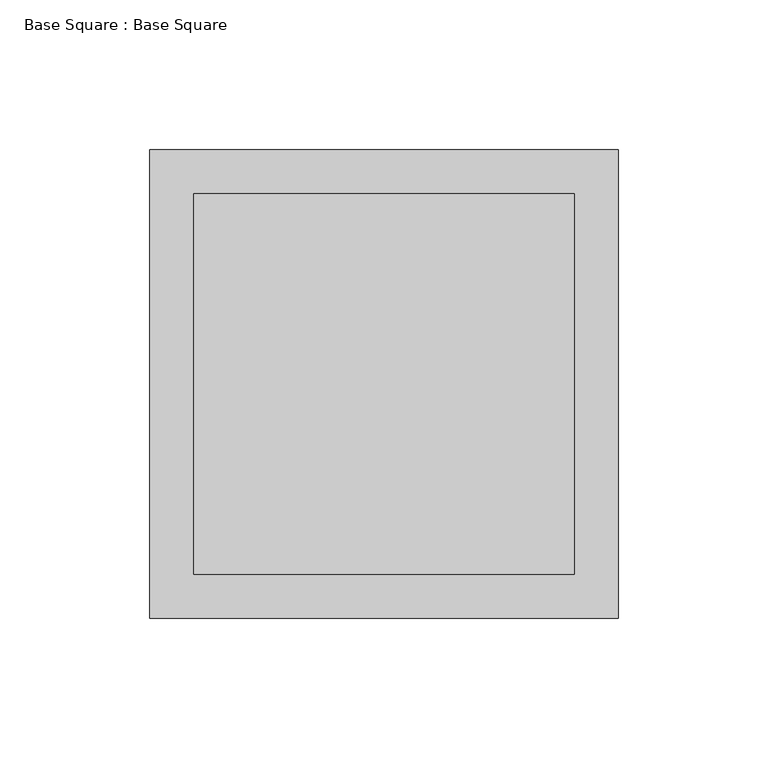
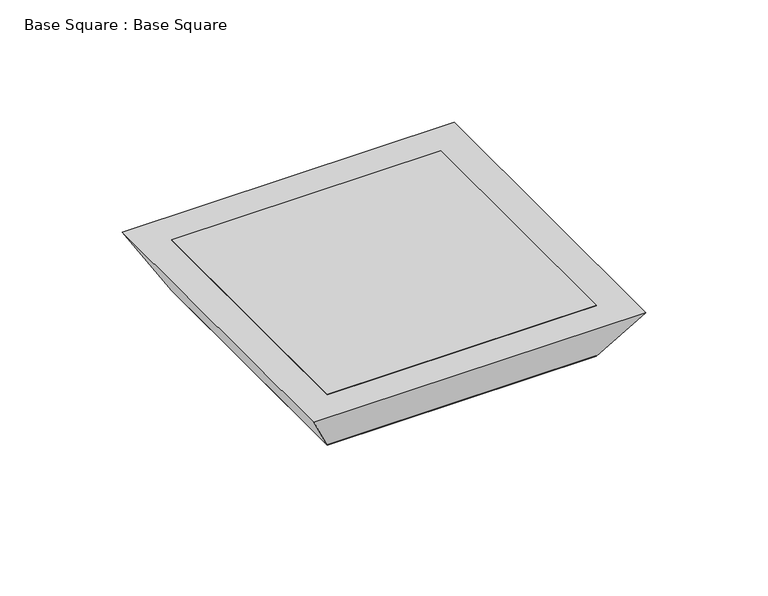
"""IFC4 building model written with IfcOpenShell, lengths in millimetres: furniture geometry, Base Square : Base Square."""

from ifc_helpers import new_model, si_unit, origin, origin_with_axes, place, context, project, spatial, polyline, outline, extrude, faceted_brep, source, transform, mapped, element, save


def base_square_base_square_4546f54b(model_context):
    return source(origin(), model_context, "Body", "SolidModel", [
        extrude(outline(polyline([(63.5, -63.5), (-63.5, -63.5), (-63.5, 63.5), (63.5, 63.5), (63.5, -63.5)])), origin_with_axes(), (0.0, 0.0, 1.0), 25.4),
        faceted_brep([(-63.5, 63.5, 0.0), (-78.1646968, 78.1646968, 25.4), (78.1646968, 78.1646968, 25.4), (63.5, 63.5, 0.0), (-63.5, 63.5, 25.4), (63.5, 63.5, 25.4), (78.1646968, -78.1646968, 25.4), (63.5, -63.5, 0.0), (63.5, -63.5, 25.4), (-78.1646968, -78.1646968, 25.4), (-63.5, -63.5, 0.0), (-63.5, -63.5, 25.4)], [[[0, 1, 2, 3]], [[4, 0, 3, 5]], [[3, 2, 6, 7]], [[5, 3, 7, 8]], [[7, 6, 9, 10]], [[8, 7, 10, 11]], [[10, 9, 1, 0]], [[11, 10, 0, 4]], [[1, 9, 6, 2], [5, 8, 11, 4]]]),
    ])


if __name__ == "__main__":
    model = new_model("IFC4")
    model_context = context("Model", 3, world=origin())
    ifc_project = project(units=[si_unit("LENGTHUNIT", "METRE", prefix="MILLI")], contexts=[model_context])
    site = spatial("IfcSite", under=ifc_project)
    building = spatial("IfcBuilding", under=site)
    placement = place(None, origin())
    base_square_base_square_shape = base_square_base_square_4546f54b(model_context)
    element("IfcFurniture", 1, ObjectType="Base Square : Base Square", at=placement, inside=building, context=model_context, shape_type="MappedRepresentation", body=[
        mapped(base_square_base_square_shape, transform((0.0, 0.0, 0.0), x_axis=(1.0, 0.0, 0.0), y_axis=(0.0, 1.0, 0.0), z_axis=(0.0, 0.0, 1.0))),
    ])
    save(model, "model.ifc")
